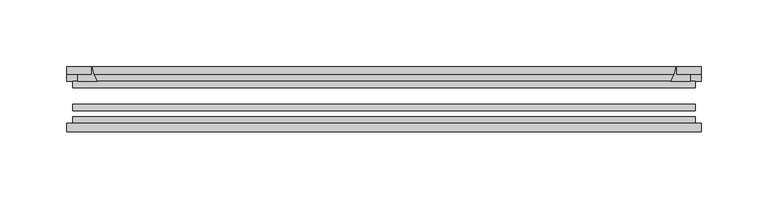
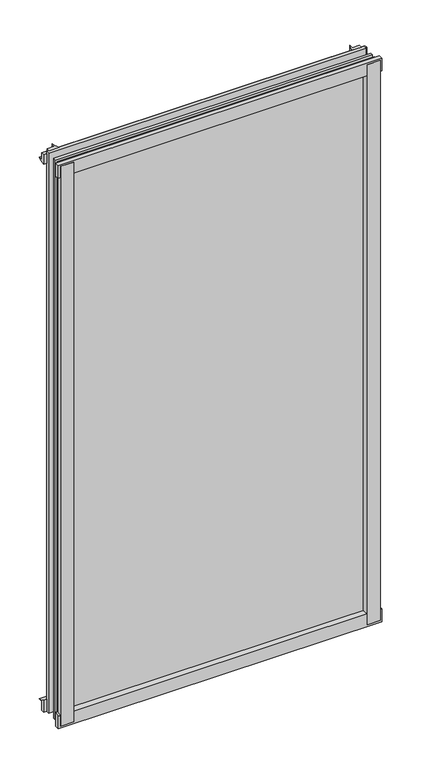
"""IFC4 building model written with IfcOpenShell, lengths in millimetres: plate geometry."""

from ifc_helpers import new_model, si_unit, point, frame, frame_2d, origin, place, context, project, spatial, polyline, circle_curve, trimmed, segment, composite_curve, outline, extrude, source, transform, mapped, element, save


def plate_db41e943(model_context):
    return source(origin(), model_context, "Body", "SweptSolid", [
        extrude(outline(composite_curve([segment(polyline([(-234.7515625, -78.7828625), (-213.3303612, -78.7828625)]), True, "CONTINUOUS"), segment(trimmed(circle_curve(frame_2d((-205.6931956, -84.652782)), 9.6323545), [point((-213.3303612, -78.7828625))], [point((-215.313579, -85.1328625))], True, "CARTESIAN"), True, "CONTINUOUS"), segment(polyline([(-215.313579, -85.1328625), (-234.7515625, -85.1328625), (-234.7515625, -78.7828625)]), True, "CONTINUOUS")], self_intersect=False)), frame((0.0, 0.0, -14.2875), z_axis=(0.0, 0.0, 1.0), x_axis=(1.0, 0.0, 0.0)), (0.0, 0.0, 1.0), 869.95),
        extrude(outline(composite_curve([segment(polyline([(235.9444065, -78.7828625), (235.9444065, -85.1328625), (216.4645165, -85.1328625)]), True, "CONTINUOUS"), segment(trimmed(circle_curve(frame_2d((206.8441331, -84.652782)), 9.6323545), [point((216.4645165, -85.1328625))], [point((214.4812987, -78.7828625))], True, "CARTESIAN"), True, "CONTINUOUS"), segment(polyline([(214.4812987, -78.7828625), (235.9444065, -78.7828625)]), True, "CONTINUOUS")], self_intersect=False)), frame((0.0, 0.0, -14.2875), z_axis=(0.0, 0.0, 1.0), x_axis=(1.0, 0.0, 0.0)), (0.0, 0.0, 1.0), 869.95),
        extrude(outline(composite_curve([segment(polyline([(-47.1852625, -14.2875), (-47.1852625, 3.9588469)]), True, "CONTINUOUS"), segment(trimmed(circle_curve(frame_2d((-30.6824422, 32.267054)), 32.7673262), [point((-47.1852625, 3.9588469))], [point((-36.3503395, -0.00635))], True, "CARTESIAN"), True, "CONTINUOUS"), segment(polyline([(-36.3503395, -0.00635), (-42.2830625, -0.00635), (-42.2830625, -14.2875), (-47.1852625, -14.2875)]), True, "CONTINUOUS")], self_intersect=False)), frame((-237.9265625, 0.0, 0.0), z_axis=(1.0, 0.0, 0.0), x_axis=(0.0, 1.0, 0.0)), (0.0, 0.0, 1.0), 475.853125),
        extrude(outline(composite_curve([segment(polyline([(-78.7828625, -16.8821065), (-85.1328625, -16.8821065), (-85.1328625, 2.5977835)]), True, "CONTINUOUS"), segment(trimmed(circle_curve(frame_2d((-84.652782, 12.2181669)), 9.6323545), [point((-85.1328625, 2.5977835))], [point((-78.7828625, 4.5810013))], True, "CARTESIAN"), True, "CONTINUOUS"), segment(polyline([(-78.7828625, 4.5810013), (-78.7828625, -16.8821065)]), True, "CONTINUOUS")], self_intersect=False)), frame((-237.9265625, 0.0, 0.0), z_axis=(1.0, 0.0, 0.0), x_axis=(0.0, 1.0, 0.0)), (0.0, 0.0, 1.0), 475.853125),
        extrude(outline(composite_curve([segment(polyline([(-47.1852625, 837.4034531), (-47.1852625, 852.0752564), (-42.2830625, 852.0752564), (-42.2830625, 841.375), (-36.3140625, 841.375)]), True, "CONTINUOUS"), segment(trimmed(circle_curve(frame_2d((-30.6824422, 809.095246)), 32.7673262), [point((-36.3140625, 841.375))], [point((-47.1852625, 837.4034531))], True, "CARTESIAN"), True, "CONTINUOUS")], self_intersect=False)), frame((-237.9265625, 0.0, 0.0), z_axis=(1.0, 0.0, 0.0), x_axis=(0.0, 1.0, 0.0)), (0.0, 0.0, 1.0), 475.853125),
        extrude(outline(composite_curve([segment(polyline([(-78.7828625, 858.2444065), (-78.7828625, 836.7812987)]), True, "CONTINUOUS"), segment(trimmed(circle_curve(frame_2d((-84.652782, 829.1441331)), 9.6323545), [point((-78.7828625, 836.7812987))], [point((-85.1328625, 838.7645165))], True, "CARTESIAN"), True, "CONTINUOUS"), segment(polyline([(-85.1328625, 838.7645165), (-85.1328625, 858.2444065), (-78.7828625, 858.2444065)]), True, "CONTINUOUS")], self_intersect=False)), frame((-237.9265625, 0.0, 0.0), z_axis=(1.0, 0.0, 0.0), x_axis=(0.0, 1.0, 0.0)), (0.0, 0.0, 1.0), 475.853125),
        extrude(outline(composite_curve([segment(trimmed(circle_curve(frame_2d((186.795246, -30.6824422)), 32.7673262), [point((215.1034531, -47.1852625))], [point((219.075, -36.3140625))], True, "CARTESIAN"), True, "CONTINUOUS"), segment(polyline([(219.075, -36.3140625), (219.075, -42.2830625), (229.7753653, -42.2830625), (229.7753653, -47.1852625), (215.1034531, -47.1852625)]), True, "CONTINUOUS")], self_intersect=False)), frame((0.0, 0.0, -14.2875), z_axis=(0.0, 0.0, 1.0), x_axis=(1.0, 0.0, 0.0)), (0.0, 0.0, 1.0), 869.95),
        extrude(outline(composite_curve([segment(polyline([(-215.1034531, -47.1852625), (-229.7702092, -47.1852625), (-229.7702092, -42.2830625), (-219.075, -42.2830625), (-219.075, -36.3140625)]), True, "CONTINUOUS"), segment(trimmed(circle_curve(frame_2d((-186.795246, -30.6824422)), 32.7673262), [point((-219.075, -36.3140625))], [point((-215.1034531, -47.1852625))], True, "CARTESIAN"), True, "CONTINUOUS")], self_intersect=False)), frame((0.0, 0.0, -14.2875), z_axis=(0.0, 0.0, 1.0), x_axis=(1.0, 0.0, 0.0)), (0.0, 0.0, 1.0), 869.95),
        extrude(outline(polyline([(233.3625, -64.6604625), (233.3625, -69.4356625), (-233.3625, -69.4356625), (-233.3625, -64.6604625), (233.3625, -64.6604625)])), frame((0.0, 0.0, -14.2875), z_axis=(0.0, 0.0, 1.0), x_axis=(1.0, 0.0, 0.0)), (0.0, 0.0, 1.0), 869.95),
        extrude(outline(polyline([(-233.3625, -78.7828625), (-233.3625, -74.0076625), (233.3625, -74.0076625), (233.3625, -78.7828625), (-233.3625, -78.7828625)])), frame((0.0, 0.0, -14.2875), z_axis=(0.0, 0.0, 1.0), x_axis=(1.0, 0.0, 0.0)), (0.0, 0.0, 1.0), 869.95),
        extrude(outline(polyline([(-233.3625, -47.1852625), (233.3625, -47.1852625), (233.3625, -51.9604625), (-233.3625, -51.9604625), (-233.3625, -47.1852625)])), frame((0.0, 0.0, -14.2875), z_axis=(0.0, 0.0, 1.0), x_axis=(1.0, 0.0, 0.0)), (0.0, 0.0, 1.0), 869.95),
    ])


if __name__ == "__main__":
    model = new_model("IFC4")
    model_context = context("Model", 3, world=origin())
    ifc_project = project(units=[si_unit("LENGTHUNIT", "METRE", prefix="MILLI")], contexts=[model_context])
    site = spatial("IfcSite", under=ifc_project)
    building = spatial("IfcBuilding", under=site)
    placement = place(None, origin())
    plate_shape = plate_db41e943(model_context)
    element("IfcPlate", 1, at=placement, inside=building, context=model_context, shape_type="MappedRepresentation", body=[
        mapped(plate_shape, transform((0.0, 0.0, 0.0), x_axis=(1.0, 0.0, 0.0), y_axis=(0.0, 1.0, 0.0), z_axis=(0.0, 0.0, 1.0))),
    ])
    save(model, "model.ifc")
